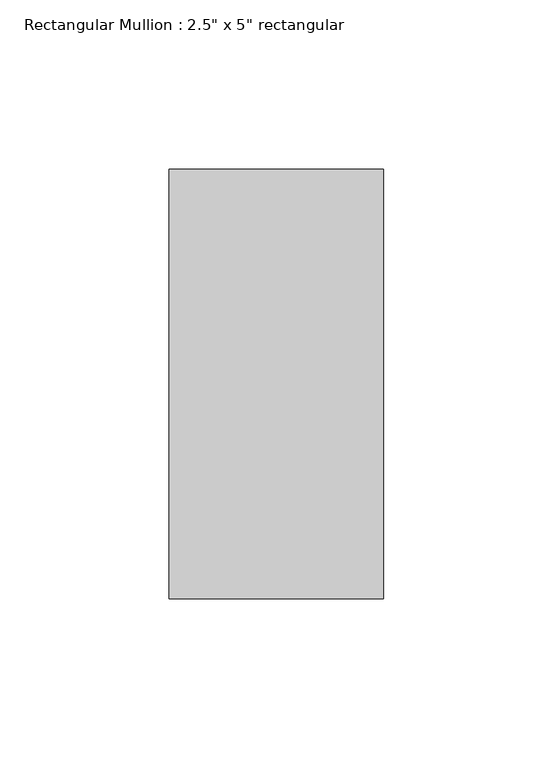
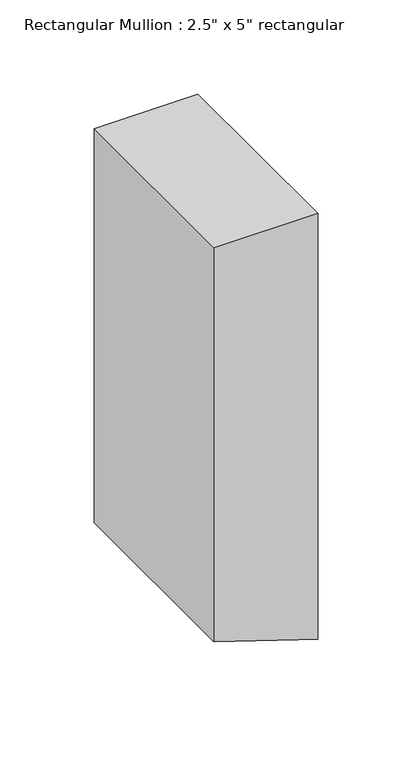
"""IFC4 building model written with IfcOpenShell, lengths in millimetres: member geometry."""

from ifc_helpers import new_model, si_unit, frame, origin, place, context, project, spatial, polyline, outline, extrude, source, transform, mapped, element, save


def member_4f3be907(model_context):
    return source(origin(), model_context, "Body", "SweptSolid", [
        extrude(outline(polyline([(0.0, 31.75), (0.0, -31.75), (-255.1266698, -31.75), (-272.0220387, 19.7828002), (-275.9455642, 31.75), (0.0, 31.75)])), frame((0.0, -63.5, 0.0), z_axis=(0.0, 1.0, 0.0), x_axis=(0.0, 0.0, 1.0)), (0.0, 0.0, 1.0), 127.0),
    ])


if __name__ == "__main__":
    model = new_model("IFC4")
    model_context = context("Model", 3, world=origin())
    ifc_project = project(units=[si_unit("LENGTHUNIT", "METRE", prefix="MILLI")], contexts=[model_context])
    site = spatial("IfcSite", under=ifc_project)
    building = spatial("IfcBuilding", under=site)
    placement = place(None, origin())
    member_shape = member_4f3be907(model_context)
    element("IfcMember", 1, ObjectType="Rectangular Mullion : 2.5\" x 5\" rectangular", at=placement, inside=building, context=model_context, shape_type="MappedRepresentation", body=[
        mapped(member_shape, transform((0.0, 0.0, 0.0), x_axis=(1.0, 0.0, 0.0), y_axis=(0.0, 1.0, 0.0), z_axis=(0.0, 0.0, 1.0))),
    ])
    save(model, "model.ifc")
